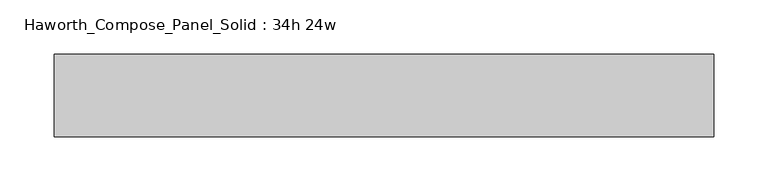
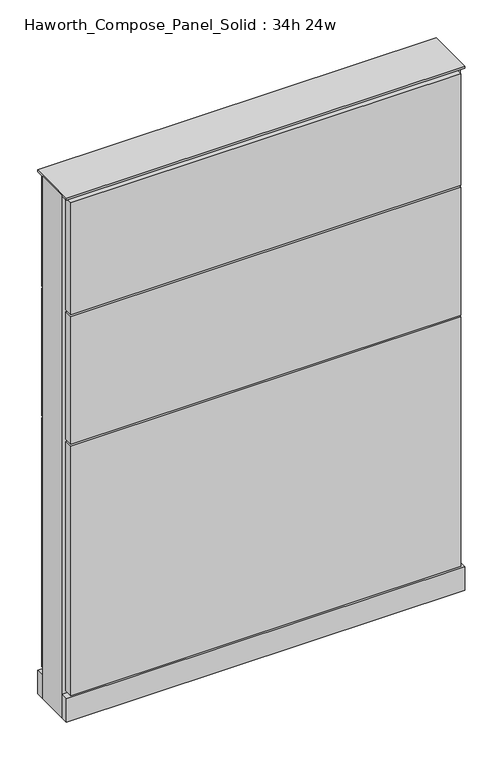
"""IFC4 building model written with IfcOpenShell, lengths in millimetres: furniture geometry, Haworth_Compose_Panel_Solid : 34h 24w."""

from ifc_helpers import new_model, si_unit, point, frame, frame_2d, origin, origin_with_axes, place, context, project, spatial, polyline, circle_curve, trimmed, segment, composite_curve, outline, extrude, source, transform, mapped, element, save


def haworth_compose_panel_solid_34h_24w_6427350f(model_context):
    return source(origin(), model_context, "Body", "SweptSolid", [
        extrude(outline(composite_curve([segment(trimmed(circle_curve(frame_2d((-226.1597098, 0.0)), 12.7), [point((-238.8597098, 0.0))], [point((-213.4597098, 0.0))], False, "CARTESIAN"), True, "CONTINUOUS"), segment(trimmed(circle_curve(frame_2d((-226.1597098, 0.0)), 12.7), [point((-213.4597098, 0.0))], [point((-238.8597098, 0.0))], False, "CARTESIAN"), True, "CONTINUOUS")], self_intersect=False)), origin_with_axes(), (0.0, 0.0, 1.0), 12.7),
        extrude(outline(composite_curve([segment(trimmed(circle_curve(frame_2d((231.0402902, 0.0)), 12.7), [point((218.3402902, 0.0))], [point((243.7402902, 0.0))], False, "CARTESIAN"), True, "CONTINUOUS"), segment(trimmed(circle_curve(frame_2d((231.0402902, 0.0)), 12.7), [point((243.7402902, 0.0))], [point((218.3402902, 0.0))], False, "CARTESIAN"), True, "CONTINUOUS")], self_intersect=False)), origin_with_axes(), (0.0, 0.0, 1.0), 12.7),
        extrude(outline(polyline([(300.8902902, 38.1), (300.8902902, 25.4), (-296.0097098, 25.4), (-296.0097098, 38.1), (300.8902902, 38.1)])), frame((0.0, 0.0, 669.925), z_axis=(0.0, 0.0, 1.0), x_axis=(1.0, 0.0, 0.0)), (0.0, 0.0, 1.0), 180.975),
        extrude(outline(polyline([(300.8902902, 38.1), (300.8902902, 25.4), (-296.0097098, 25.4), (-296.0097098, 38.1), (300.8902902, 38.1)])), frame((0.0, 0.0, 460.375), z_axis=(0.0, 0.0, 1.0), x_axis=(1.0, 0.0, 0.0)), (0.0, 0.0, 1.0), 206.375),
        extrude(outline(polyline([(300.8902902, 38.1), (300.8902902, 25.4), (-296.0097098, 25.4), (-296.0097098, 38.1), (300.8902902, 38.1)])), frame((0.0, 0.0, 53.975), z_axis=(0.0, 0.0, 1.0), x_axis=(1.0, 0.0, 0.0)), (0.0, 0.0, 1.0), 403.225),
        extrude(outline(polyline([(300.8902902, -38.1), (-296.0097098, -38.1), (-296.0097098, -25.4), (300.8902902, -25.4), (300.8902902, -38.1)])), frame((0.0, 0.0, 669.925), z_axis=(0.0, 0.0, 1.0), x_axis=(1.0, 0.0, 0.0)), (0.0, 0.0, 1.0), 180.975),
        extrude(outline(polyline([(300.8902902, -38.1), (-296.0097098, -38.1), (-296.0097098, -25.4), (300.8902902, -25.4), (300.8902902, -38.1)])), frame((0.0, 0.0, 460.375), z_axis=(0.0, 0.0, 1.0), x_axis=(1.0, 0.0, 0.0)), (0.0, 0.0, 1.0), 206.375),
        extrude(outline(polyline([(300.8902902, -38.1), (-296.0097098, -38.1), (-296.0097098, -25.4), (300.8902902, -25.4), (300.8902902, -38.1)])), frame((0.0, 0.0, 53.975), z_axis=(0.0, 0.0, 1.0), x_axis=(1.0, 0.0, 0.0)), (0.0, 0.0, 1.0), 403.225),
        extrude(outline(polyline([(307.2402902, 25.4), (307.2402902, -25.4), (-302.3597098, -25.4), (-302.3597098, 25.4), (307.2402902, 25.4)])), frame((0.0, 0.0, 12.7), z_axis=(0.0, 0.0, 1.0), x_axis=(1.0, 0.0, 0.0)), (0.0, 0.0, 1.0), 844.55),
        extrude(outline(polyline([(-302.3597098, -38.1), (-302.3597098, 38.1), (307.2402902, 38.1), (307.2402902, -38.1), (-302.3597098, -38.1)])), frame((0.0, 0.0, 12.7), z_axis=(0.0, 0.0, 1.0), x_axis=(1.0, 0.0, 0.0)), (0.0, 0.0, 1.0), 38.1),
        extrude(outline(polyline([(-302.3597098, -38.1), (-302.3597098, 38.1), (307.2402902, 38.1), (307.2402902, -38.1), (-302.3597098, -38.1)])), frame((0.0, 0.0, 857.25), z_axis=(0.0, 0.0, 1.0), x_axis=(1.0, 0.0, 0.0)), (0.0, 0.0, 1.0), 3.175),
    ])


if __name__ == "__main__":
    model = new_model("IFC4")
    model_context = context("Model", 3, world=origin())
    ifc_project = project(units=[si_unit("LENGTHUNIT", "METRE", prefix="MILLI")], contexts=[model_context])
    site = spatial("IfcSite", under=ifc_project)
    building = spatial("IfcBuilding", under=site)
    placement = place(None, origin())
    haworth_compose_panel_solid_34h_24w_shape = haworth_compose_panel_solid_34h_24w_6427350f(model_context)
    element("IfcFurniture", 1, ObjectType="Haworth_Compose_Panel_Solid : 34h 24w", at=placement, inside=building, context=model_context, shape_type="MappedRepresentation", body=[
        mapped(haworth_compose_panel_solid_34h_24w_shape, transform((0.0, 0.0, 0.0), x_axis=(1.0, 0.0, 0.0), y_axis=(0.0, 1.0, 0.0), z_axis=(0.0, 0.0, 1.0))),
    ])
    save(model, "model.ifc")
